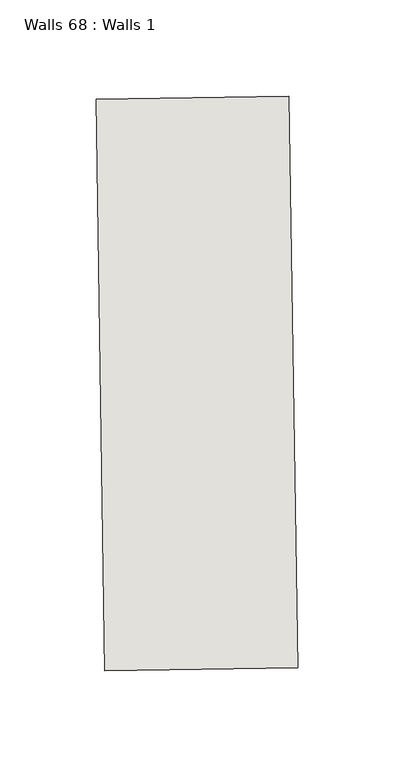
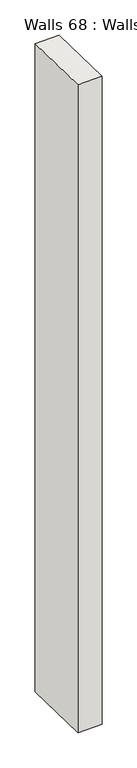
"""IFC4 building model written with IfcOpenShell, lengths in millimetres: wall geometry, Walls 68 : Walls 1."""

from ifc_helpers import new_model, si_unit, origin, origin_with_axes, place, context, project, spatial, polyline, outline, extrude, source, transform, mapped, element, save


def walls_68_walls_1_370401ae(model_context):
    return source(origin(), model_context, "Body", "SweptSolid", [
        extrude(outline(polyline([(4641.6301962, 1512.5385328), (4637.1357282, 1809.2332244), (4737.1242564, 1810.7478967), (4741.6187244, 1514.0532051), (4641.6301962, 1512.5385328)])), origin_with_axes(), (0.0, 0.0, 1.0), 2802.8428853),
    ])


if __name__ == "__main__":
    model = new_model("IFC4")
    model_context = context("Model", 3, world=origin())
    ifc_project = project(units=[si_unit("LENGTHUNIT", "METRE", prefix="MILLI")], contexts=[model_context])
    site = spatial("IfcSite", under=ifc_project)
    building = spatial("IfcBuilding", under=site)
    placement = place(None, origin())
    walls_68_walls_1_shape = walls_68_walls_1_370401ae(model_context)
    element("IfcWall", 1, ObjectType="Walls 68 : Walls 1", at=placement, inside=building, context=model_context, shape_type="MappedRepresentation", body=[
        mapped(walls_68_walls_1_shape, transform((0.0, 0.0, 0.0), x_axis=(1.0, 0.0, 0.0), y_axis=(0.0, 1.0, 0.0), z_axis=(0.0, 0.0, 1.0))),
    ])
    save(model, "model.ifc")
